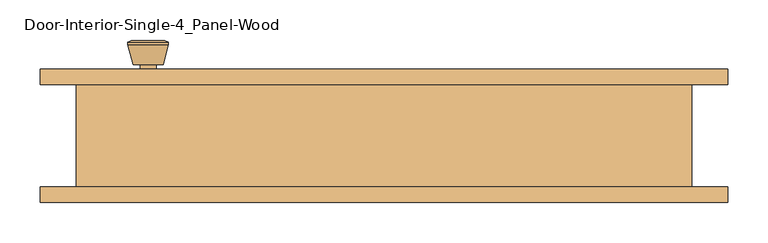
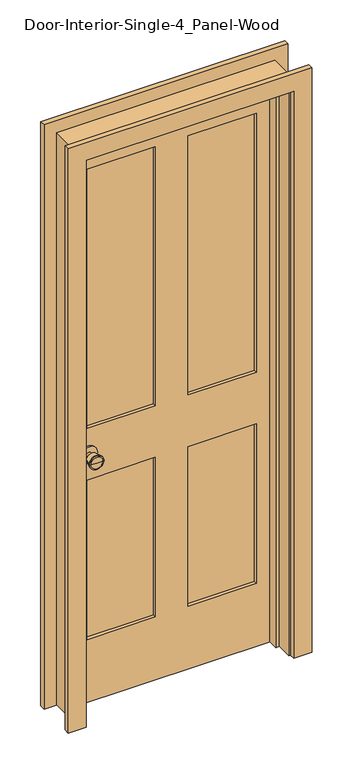
"""IFC4 building model written with IfcOpenShell, lengths in millimetres: door geometry, Door-Interior-Single-4_Panel-Wood."""

from ifc_helpers import new_model, si_unit, point, frame, frame_2d, origin, place, context, project, spatial, polyline, circle_curve, trimmed, segment, composite_curve, outline, extrude, faceted_brep, source, transform, mapped, element, save
from ifc_brep_helpers import plane_surface, cylinder_surface, revolved_surface, advanced_brep


def door_interior_single_4_panel_wood_75a98656(model_context):
    return source(origin(), model_context, "Body", "SolidModel", [
        advanced_brep(
        [(-292.1, 19.4, 914.4), (-282.1, 19.4, 914.4), (-302.1, 19.4, 914.4), (-271.6241324, -29.6, 914.4), (-292.1, -29.6, 914.4), (-312.5758676, -29.6, 914.4), (-267.1, -27.7721319, 914.4), (-317.1, -27.7721319, 914.4), (-267.1, -24.3084537, 914.4), (-317.1, -24.3084537, 914.4), (-273.463764, 0.4, 914.4), (-310.736236, 0.4, 914.4), (-282.1, 0.4, 914.4), (-302.1, 0.4, 914.4)],
        [
            (0, 1),
            (1, 2, circle_curve(frame((-292.1, 19.4, 914.4), z_axis=(0.0, 1.0, 0.0), x_axis=(-1.0, 0.0, 0.0)), 10.0)),
            (2, 0),
            (2, 1, circle_curve(frame((-292.1, 19.4, 914.4), z_axis=(0.0, 1.0, 0.0), x_axis=(-1.0, 0.0, 0.0)), 10.0)),
            (3, 4),
            (4, 5),
            (5, 3, circle_curve(frame((-292.1, -29.6, 914.4), z_axis=(0.0, -1.0, 0.0), x_axis=(-1.0, 0.0, 0.0)), 20.4758676)),
            (3, 5, circle_curve(frame((-292.1, -29.6, 914.4), z_axis=(0.0, -1.0, 0.0), x_axis=(-1.0, 0.0, 0.0)), 20.4758676)),
            (6, 3),
            (5, 7),
            (7, 6, circle_curve(frame((-292.1, -27.7721319, 914.4), z_axis=(0.0, -1.0, 0.0), x_axis=(-1.0, 0.0, 0.0)), 25.0)),
            (6, 7, circle_curve(frame((-292.1, -27.7721319, 914.4), z_axis=(0.0, -1.0, 0.0), x_axis=(-1.0, 0.0, 0.0)), 25.0)),
            (8, 6),
            (7, 9),
            (9, 8, circle_curve(frame((-292.1, -24.3084537, 914.4), z_axis=(0.0, -1.0, 0.0), x_axis=(-1.0, 0.0, 0.0)), 25.0)),
            (8, 9, circle_curve(frame((-292.1, -24.3084537, 914.4), z_axis=(0.0, -1.0, 0.0), x_axis=(-1.0, 0.0, 0.0)), 25.0)),
            (10, 8),
            (9, 11),
            (11, 10, circle_curve(frame((-292.1, 0.4, 914.4), z_axis=(0.0, -1.0, 0.0), x_axis=(-1.0, 0.0, 0.0)), 18.636236)),
            (10, 11, circle_curve(frame((-292.1, 0.4, 914.4), z_axis=(0.0, -1.0, 0.0), x_axis=(-1.0, 0.0, 0.0)), 18.636236)),
            (12, 10),
            (11, 13),
            (13, 12, circle_curve(frame((-292.1, 0.4, 914.4), z_axis=(0.0, -1.0, 0.0), x_axis=(-1.0, 0.0, 0.0)), 10.0)),
            (12, 13, circle_curve(frame((-292.1, 0.4, 914.4), z_axis=(0.0, -1.0, 0.0), x_axis=(-1.0, 0.0, 0.0)), 10.0)),
            (1, 12),
            (13, 2),
        ],
        [
            plane_surface(frame((-292.1, 19.4, 914.4), z_axis=(0.0, 1.0, 0.0), x_axis=(-1.0, 0.0, 0.0))),
            plane_surface(frame((-292.1, -29.6, 914.4), z_axis=(0.0, -1.0, 0.0), x_axis=(-1.0, 0.0, 0.0))),
            revolved_surface(polyline([(-312.5758676, -29.6, 914.4), (-317.1, -27.7721319, 914.4)]), (-292.1, 19.4, 914.4), (0.0, 1.0, 0.0)),
            cylinder_surface(frame((-292.1, 19.4, 914.4), z_axis=(0.0, 1.0, 0.0), x_axis=(-1.0, 0.0, 0.0)), 25.0),
            revolved_surface(polyline([(-317.1, -24.3084537, 914.4), (-310.736236, 0.4, 914.4)]), (-292.1, 19.4, 914.4), (0.0, 1.0, 0.0)),
            plane_surface(frame((-292.1, 0.4, 914.4), z_axis=(0.0, 1.0, 0.0), x_axis=(-1.0, 0.0, 0.0))),
            cylinder_surface(frame((-292.1, 19.4, 914.4), z_axis=(0.0, 1.0, 0.0), x_axis=(-1.0, 0.0, 0.0)), 10.0),
        ],
        [
            (0, [[1, 2, 3]]),
            (0, [[-3, 4, -1]]),
            (1, [[5, 6, 7]]),
            (1, [[-6, -5, 8]]),
            (2, [[9, -7, 10, 11]]),
            (2, [[-10, -8, -9, 12]]),
            (3, [[13, -11, 14, 15]]),
            (3, [[-14, -12, -13, 16]]),
            (4, [[17, -15, 18, 19]]),
            (4, [[-18, -16, -17, 20]]),
            (5, [[21, -19, 22, 23]]),
            (5, [[-22, -20, -21, 24]]),
            (6, [[25, -23, 26, -2]]),
            (6, [[-26, -24, -25, -4]]),
        ],
    ),
        extrude(outline(composite_curve([segment(trimmed(circle_curve(frame_2d((914.4, -292.1)), 30.0), [point((914.4, -322.1))], [point((914.4, -262.1))], False, "CARTESIAN"), True, "CONTINUOUS"), segment(trimmed(circle_curve(frame_2d((914.4, -292.1)), 30.0), [point((914.4, -262.1))], [point((914.4, -322.1))], False, "CARTESIAN"), True, "CONTINUOUS")], self_intersect=False)), frame((0.0, 19.4, 0.0), z_axis=(0.0, 1.0, 0.0), x_axis=(0.0, 0.0, 1.0)), (0.0, 0.0, 1.0), 6.0),
        advanced_brep(
        [(-292.1, 66.325, 914.4), (-302.1, 66.325, 914.4), (-282.1, 66.325, 914.4), (-271.6241324, 115.325, 914.4), (-312.5758676, 115.325, 914.4), (-292.1, 115.325, 914.4), (-267.1, 113.4971319, 914.4), (-317.1, 113.4971319, 914.4), (-267.1, 110.0334537, 914.4), (-317.1, 110.0334537, 914.4), (-273.463764, 85.325, 914.4), (-310.736236, 85.325, 914.4), (-282.1, 85.325, 914.4), (-302.1, 85.325, 914.4)],
        [
            (0, 1),
            (1, 2, circle_curve(frame((-292.1, 66.325, 914.4), z_axis=(0.0, -1.0, 0.0), x_axis=(-1.0, 0.0, 0.0)), 10.0)),
            (2, 0),
            (2, 1, circle_curve(frame((-292.1, 66.325, 914.4), z_axis=(0.0, -1.0, 0.0), x_axis=(-1.0, 0.0, 0.0)), 10.0)),
            (3, 4, circle_curve(frame((-292.1, 115.325, 914.4), z_axis=(0.0, 1.0, 0.0), x_axis=(-1.0, 0.0, 0.0)), 20.4758676)),
            (4, 5),
            (5, 3),
            (4, 3, circle_curve(frame((-292.1, 115.325, 914.4), z_axis=(0.0, 1.0, 0.0), x_axis=(-1.0, 0.0, 0.0)), 20.4758676)),
            (6, 7, circle_curve(frame((-292.1, 113.4971319, 914.4), z_axis=(0.0, 1.0, 0.0), x_axis=(-1.0, 0.0, 0.0)), 25.0)),
            (7, 4),
            (3, 6),
            (7, 6, circle_curve(frame((-292.1, 113.4971319, 914.4), z_axis=(0.0, 1.0, 0.0), x_axis=(-1.0, 0.0, 0.0)), 25.0)),
            (8, 9, circle_curve(frame((-292.1, 110.0334537, 914.4), z_axis=(0.0, 1.0, 0.0), x_axis=(-1.0, 0.0, 0.0)), 25.0)),
            (9, 7),
            (6, 8),
            (9, 8, circle_curve(frame((-292.1, 110.0334537, 914.4), z_axis=(0.0, 1.0, 0.0), x_axis=(-1.0, 0.0, 0.0)), 25.0)),
            (10, 11, circle_curve(frame((-292.1, 85.325, 914.4), z_axis=(0.0, 1.0, 0.0), x_axis=(-1.0, 0.0, 0.0)), 18.636236)),
            (11, 9),
            (8, 10),
            (11, 10, circle_curve(frame((-292.1, 85.325, 914.4), z_axis=(0.0, 1.0, 0.0), x_axis=(-1.0, 0.0, 0.0)), 18.636236)),
            (12, 13, circle_curve(frame((-292.1, 85.325, 914.4), z_axis=(0.0, 1.0, 0.0), x_axis=(-1.0, 0.0, 0.0)), 10.0)),
            (13, 11),
            (10, 12),
            (13, 12, circle_curve(frame((-292.1, 85.325, 914.4), z_axis=(0.0, 1.0, 0.0), x_axis=(-1.0, 0.0, 0.0)), 10.0)),
            (1, 13),
            (12, 2),
        ],
        [
            plane_surface(frame((-292.1, 66.325, 914.4), z_axis=(0.0, -1.0, 0.0), x_axis=(-1.0, 0.0, 0.0))),
            plane_surface(frame((-292.1, 115.325, 914.4), z_axis=(0.0, 1.0, 0.0), x_axis=(-1.0, 0.0, 0.0))),
            revolved_surface(polyline([(-312.5758676, 115.325, 914.4), (-317.1, 113.4971319, 914.4)]), (-292.1, 66.325, 914.4), (0.0, -1.0, 0.0)),
            cylinder_surface(frame((-292.1, 66.325, 914.4), z_axis=(0.0, -1.0, 0.0), x_axis=(-1.0, 0.0, 0.0)), 25.0),
            revolved_surface(polyline([(-317.1, 110.0334537, 914.4), (-310.736236, 85.325, 914.4)]), (-292.1, 66.325, 914.4), (0.0, -1.0, 0.0)),
            plane_surface(frame((-292.1, 85.325, 914.4), z_axis=(0.0, -1.0, 0.0), x_axis=(-1.0, 0.0, 0.0))),
            cylinder_surface(frame((-292.1, 66.325, 914.4), z_axis=(0.0, -1.0, 0.0), x_axis=(-1.0, 0.0, 0.0)), 10.0),
        ],
        [
            (0, [[1, 2, 3]]),
            (0, [[-3, 4, -1]]),
            (1, [[5, 6, 7]]),
            (1, [[8, -7, -6]]),
            (2, [[9, 10, -5, 11]]),
            (2, [[12, -11, -8, -10]]),
            (3, [[13, 14, -9, 15]]),
            (3, [[16, -15, -12, -14]]),
            (4, [[17, 18, -13, 19]]),
            (4, [[20, -19, -16, -18]]),
            (5, [[21, 22, -17, 23]]),
            (5, [[24, -23, -20, -22]]),
            (6, [[-2, 25, -21, 26]]),
            (6, [[-4, -26, -24, -25]]),
        ],
    ),
        extrude(outline(composite_curve([segment(trimmed(circle_curve(frame_2d((914.4, -292.1)), 30.0), [point((914.4, -322.1))], [point((914.4, -262.1))], False, "CARTESIAN"), True, "CONTINUOUS"), segment(trimmed(circle_curve(frame_2d((914.4, -292.1)), 30.0), [point((914.4, -262.1))], [point((914.4, -322.1))], False, "CARTESIAN"), True, "CONTINUOUS")], self_intersect=False)), frame((0.0, 60.325, 0.0), z_axis=(0.0, 1.0, 0.0), x_axis=(0.0, 0.0, 1.0)), (0.0, 0.0, 1.0), 6.0),
        faceted_brep([(381.0, 60.325, 0.0), (381.0, -66.675, 0.0), (355.6, -66.675, 0.0), (355.6, -9.525, 0.0), (342.9, -9.525, 0.0), (342.9, 25.4, 0.0), (355.6, 25.4, 0.0), (355.6, 60.325, 0.0), (381.0, 60.325, 2108.2), (381.0, -66.675, 2108.2), (-381.0, -66.675, 2108.2), (-381.0, -66.675, 0.0), (-355.6, -66.675, 0.0), (-355.6, -66.675, 2082.8), (355.6, -66.675, 2082.8), (355.6, -9.525, 2082.8), (-355.6, -9.525, 2082.8), (-355.6, -9.525, 0.0), (-342.9, -9.525, 0.0), (-342.9, -9.525, 2070.1), (342.9, -9.525, 2070.1), (342.9, 25.4, 2070.1), (-342.9, 25.4, 2070.1), (-342.9, 25.4, 0.0), (-355.6, 25.4, 0.0), (-355.6, 25.4, 2082.8), (355.6, 25.4, 2082.8), (355.6, 60.325, 2082.8), (-355.6, 60.325, 2082.8), (-355.6, 60.325, 0.0), (-381.0, 60.325, 0.0), (-381.0, 60.325, 2108.2)], [[[0, 1, 2, 3, 4, 5, 6, 7]], [[1, 0, 8, 9]], [[2, 1, 9, 10, 11, 12, 13, 14]], [[3, 2, 14, 15]], [[4, 3, 15, 16, 17, 18, 19, 20]], [[5, 4, 20, 21]], [[6, 5, 21, 22, 23, 24, 25, 26]], [[7, 6, 26, 27]], [[0, 7, 27, 28, 29, 30, 31, 8]], [[9, 8, 31, 10]], [[15, 14, 13, 16]], [[21, 20, 19, 22]], [[27, 26, 25, 28]], [[30, 29, 24, 23, 18, 17, 12, 11]], [[10, 31, 30, 11]], [[16, 13, 12, 17]], [[22, 19, 18, 23]], [[28, 25, 24, 29]]]),
        extrude(outline(polyline([(2082.8, -355.6), (0.0, -355.6), (0.0, 355.6), (2082.8, 355.6), (2082.8, -355.6)]), holes=[polyline([(1963.7375, 57.15), (1963.7375, 295.275), (1009.65, 295.275), (1009.65, 57.15), (1963.7375, 57.15)]), polyline([(1009.65, -57.15), (1009.65, -295.275), (1963.7375, -295.275), (1963.7375, -57.15), (1009.65, -57.15)]), polyline([(819.15, 57.15), (819.15, 295.275), (231.775, 295.275), (231.775, 57.15), (819.15, 57.15)]), polyline([(231.775, -57.15), (231.775, -295.275), (819.15, -295.275), (819.15, -57.15), (231.775, -57.15)])]), frame((0.0, 25.4, 0.0), z_axis=(0.0, 1.0, 0.0), x_axis=(0.0, 0.0, 1.0)), (0.0, 0.0, 1.0), 34.925),
        extrude(outline(polyline([(295.275, 37.0416667), (57.15, 37.0416667), (57.15, 48.6833333), (295.275, 48.6833333), (295.275, 37.0416667)])), frame((0.0, 0.0, 1009.65), z_axis=(0.0, 0.0, 1.0), x_axis=(1.0, 0.0, 0.0)), (0.0, 0.0, 1.0), 954.0875),
        extrude(outline(polyline([(-57.15, 37.0416667), (-295.275, 37.0416667), (-295.275, 48.6833333), (-57.15, 48.6833333), (-57.15, 37.0416667)])), frame((0.0, 0.0, 1009.65), z_axis=(0.0, 0.0, 1.0), x_axis=(1.0, 0.0, 0.0)), (0.0, 0.0, 1.0), 954.0875),
        extrude(outline(polyline([(295.275, 37.0416667), (57.15, 37.0416667), (57.15, 48.6833333), (295.275, 48.6833333), (295.275, 37.0416667)])), frame((0.0, 0.0, 231.775), z_axis=(0.0, 0.0, 1.0), x_axis=(1.0, 0.0, 0.0)), (0.0, 0.0, 1.0), 587.375),
        extrude(outline(polyline([(-57.15, 37.0416667), (-295.275, 37.0416667), (-295.275, 48.6833333), (-57.15, 48.6833333), (-57.15, 37.0416667)])), frame((0.0, 0.0, 231.775), z_axis=(0.0, 0.0, 1.0), x_axis=(1.0, 0.0, 0.0)), (0.0, 0.0, 1.0), 587.375),
        extrude(outline(polyline([(0.0, 361.95), (0.0, 425.45), (2152.65, 425.45), (2152.65, -425.45), (0.0, -425.45), (0.0, -361.95), (2089.15, -361.95), (2089.15, 361.95), (0.0, 361.95)])), frame((0.0, 60.325, 0.0), z_axis=(0.0, 1.0, 0.0), x_axis=(0.0, 0.0, 1.0)), (0.0, 0.0, 1.0), 19.05),
        extrude(outline(polyline([(0.0, 361.95), (0.0, 425.45), (2152.65, 425.45), (2152.65, -425.45), (0.0, -425.45), (0.0, -361.95), (2089.15, -361.95), (2089.15, 361.95), (0.0, 361.95)])), frame((0.0, -85.725, 0.0), z_axis=(0.0, 1.0, 0.0), x_axis=(0.0, 0.0, 1.0)), (0.0, 0.0, 1.0), 19.05),
    ])


if __name__ == "__main__":
    model = new_model("IFC4")
    model_context = context("Model", 3, world=origin())
    ifc_project = project(units=[si_unit("LENGTHUNIT", "METRE", prefix="MILLI")], contexts=[model_context])
    site = spatial("IfcSite", under=ifc_project)
    building = spatial("IfcBuilding", under=site)
    placement = place(None, origin())
    door_interior_single_4_panel_wood_shape = door_interior_single_4_panel_wood_75a98656(model_context)
    element("IfcDoor", 1, ObjectType="Door-Interior-Single-4_Panel-Wood", at=placement, inside=building, context=model_context, shape_type="MappedRepresentation", body=[
        mapped(door_interior_single_4_panel_wood_shape, transform((0.0, 0.0, 0.0), x_axis=(1.0, 0.0, 0.0), y_axis=(0.0, 1.0, 0.0), z_axis=(0.0, 0.0, 1.0))),
    ])
    save(model, "model.ifc")
